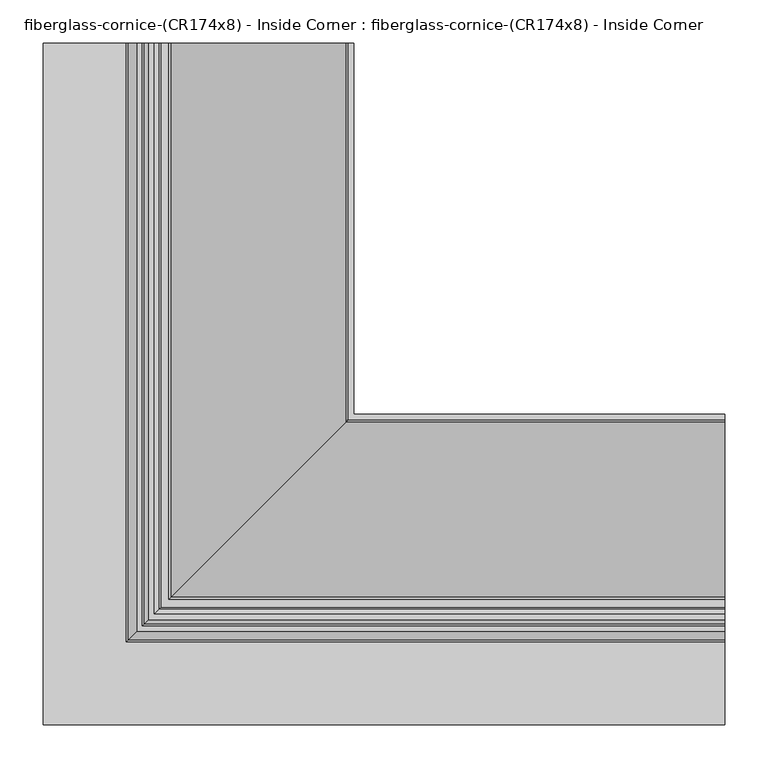
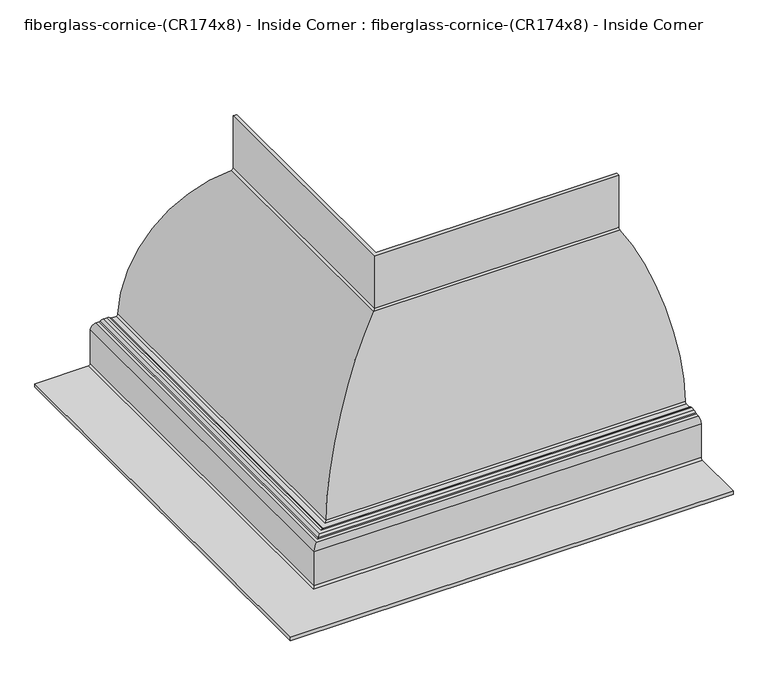
"""IFC4 building model written with IfcOpenShell, lengths in millimetres: furniture geometry, fiberglass-cornice-(CR174x8) - Inside Corner : fiberglass-cornice-(CR174x8) - Inside Corner."""

from ifc_helpers import new_model, si_unit, frame, origin, place, context, project, spatial, polyline, circle_curve, ellipse_curve, source, transform, mapped, element, save
from ifc_brep_helpers import plane_surface, cylinder_surface, revolved_surface, advanced_brep


def fiberglass_cornice_cr174x8_inside_corner_fiberglass_cornice_475cccb7(model_context):
    return source(origin(), model_context, "Body", "AdvancedBrep", [
        advanced_brep(
        [(-34.9249938, 888.603125, 330.1999904), (-34.9249938, 888.603125, 231.6795826), (-44.1638351, 888.603125, 222.1588821), (-239.7886497, 888.603125, 28.207072), (-249.3065414, 888.603125, 19.0499904), (-258.1636377, 888.603125, 19.0499904), (-263.7187305, 888.603125, 21.3178476), (-265.9407676, 888.603125, 22.2249904), (-272.2907676, 888.603125, 22.2249904), (-274.5128047, 888.603125, 21.3178476), (-280.0678975, 888.603125, 19.0499904), (-285.7499938, 888.603125, 19.0499904), (-288.9249938, 888.603125, 15.8749904), (-288.9249938, 888.603125, -47.6250096), (-298.4499938, 888.603125, -57.1500096), (-393.6999938, 888.603125, -57.1500096), (-393.6999938, 888.603125, -50.8000096), (-298.4499938, 888.603125, -50.8000096), (-295.2749938, 888.603125, -47.6250096), (-295.2749938, 888.603125, 15.8749904), (-285.7499938, 888.603125, 25.3999904), (-280.0678975, 888.603125, 25.3999904), (-277.8458604, 888.603125, 26.3071333), (-272.2907676, 888.603125, 28.5749904), (-265.9407676, 888.603125, 28.5749904), (-260.3856748, 888.603125, 26.3071333), (-258.1636377, 888.603125, 25.3999904), (-249.3065414, 888.603125, 25.3999904), (-246.1339108, 888.603125, 28.4523509), (-44.3546076, 888.603125, 228.5060158), (-41.2749938, 888.603125, 231.6795826), (-41.2749938, 888.603125, 330.1999904), (393.6999938, 459.978125, 330.1999904), (393.6999938, 453.628125, 330.1999904), (393.6999938, 453.628125, 231.6795826), (393.6999938, 450.5485113, 228.5060158), (393.6999938, 248.769208, 28.4523509), (393.6999938, 245.5965775, 25.3999904), (393.6999938, 236.7394812, 25.3999904), (393.6999938, 234.5174441, 26.3071333), (393.6999938, 228.9623512, 28.5749904), (393.6999938, 222.6123512, 28.5749904), (393.6999938, 217.0572584, 26.3071333), (393.6999938, 214.8352213, 25.3999904), (393.6999938, 209.153125, 25.3999904), (393.6999938, 199.628125, 15.8749904), (393.6999938, 199.628125, -47.6250096), (393.6999938, 196.453125, -50.8000096), (393.6999938, 101.203125, -50.8000096), (393.6999938, 101.203125, -57.1500096), (393.6999938, 196.453125, -57.1500096), (393.6999938, 205.978125, -47.6250096), (393.6999938, 205.978125, 15.8749904), (393.6999938, 209.153125, 19.0499904), (393.6999938, 214.8352213, 19.0499904), (393.6999938, 220.3903141, 21.3178476), (393.6999938, 222.6123512, 22.2249904), (393.6999938, 228.9623512, 22.2249904), (393.6999938, 231.1843884, 21.3178476), (393.6999938, 236.7394812, 19.0499904), (393.6999938, 245.5965775, 19.0499904), (393.6999938, 255.1144691, 28.207072), (393.6999938, 450.7392838, 222.1588821), (393.6999938, 459.978125, 231.6795826), (-34.9249938, 459.978125, 330.1999904), (-34.9249938, 459.978125, 231.6795826), (-44.1638351, 450.7392838, 222.1588821), (-239.7886497, 255.1144691, 28.207072), (-249.3065414, 245.5965775, 19.0499904), (-258.1636377, 236.7394812, 19.0499904), (-263.7187305, 231.1843884, 21.3178476), (-265.9407676, 228.9623512, 22.2249904), (-272.2907676, 222.6123512, 22.2249904), (-274.5128047, 220.3903141, 21.3178476), (-280.0678975, 214.8352213, 19.0499904), (-285.7499938, 209.153125, 19.0499904), (-288.9249938, 205.978125, 15.8749904), (-288.9249938, 205.978125, -47.6250096), (-298.4499938, 196.453125, -57.1500096), (-393.6999938, 101.203125, -57.1500096), (-393.6999938, 101.203125, -50.8000096), (-298.4499938, 196.453125, -50.8000096), (-295.2749938, 199.628125, -47.6250096), (-295.2749938, 199.628125, 15.8749904), (-285.7499938, 209.153125, 25.3999904), (-280.0678975, 214.8352213, 25.3999904), (-277.8458604, 217.0572584, 26.3071333), (-272.2907676, 222.6123512, 28.5749904), (-265.9407676, 228.9623512, 28.5749904), (-260.3856748, 234.5174441, 26.3071333), (-258.1636377, 236.7394812, 25.3999904), (-249.3065414, 245.5965775, 25.3999904), (-246.1339108, 248.769208, 28.4523509), (-44.3546076, 450.5485113, 228.5060158), (-41.2749938, 453.628125, 231.6795826), (-41.2749938, 453.628125, 330.1999904)],
        [
            (0, 1),
            (1, 2, circle_curve(frame((-44.4499938, 888.603125, 231.6795826), z_axis=(0.0, 1.0, 0.0), x_axis=(1.0, 0.0, 0.0)), 9.525)),
            (2, 3, circle_curve(frame((-38.0999938, 888.603125, 20.4107047), z_axis=(0.0, -1.0, 0.0), x_axis=(1.0, 0.0, 0.0)), 201.8392857)),
            (3, 4, circle_curve(frame((-249.3065414, 888.603125, 28.5749904), z_axis=(0.0, 1.0, 0.0), x_axis=(1.0, 0.0, 0.0)), 9.525)),
            (4, 5),
            (5, 6, circle_curve(frame((-258.1636377, 888.603125, 26.9874904), z_axis=(0.0, 1.0, 0.0), x_axis=(1.0, 0.0, 0.0)), 7.9375)),
            (6, 7, circle_curve(frame((-265.9407676, 888.603125, 19.0499904), z_axis=(0.0, -1.0, 0.0), x_axis=(1.0, 0.0, 0.0)), 3.175)),
            (7, 8),
            (8, 9, circle_curve(frame((-272.2907676, 888.603125, 19.0499904), z_axis=(0.0, -1.0, 0.0), x_axis=(1.0, 0.0, 0.0)), 3.175)),
            (9, 10, circle_curve(frame((-280.0678975, 888.603125, 26.9874904), z_axis=(0.0, 1.0, 0.0), x_axis=(1.0, 0.0, 0.0)), 7.9375)),
            (10, 11),
            (11, 12, circle_curve(frame((-285.7499938, 888.603125, 15.8749904), z_axis=(0.0, -1.0, 0.0), x_axis=(1.0, 0.0, 0.0)), 3.175)),
            (12, 13),
            (13, 14, circle_curve(frame((-298.4499938, 888.603125, -47.6250096), z_axis=(0.0, 1.0, 0.0), x_axis=(1.0, 0.0, 0.0)), 9.525)),
            (14, 15),
            (15, 16),
            (16, 17),
            (17, 18, circle_curve(frame((-298.4499938, 888.603125, -47.6250096), z_axis=(0.0, -1.0, 0.0), x_axis=(1.0, 0.0, 0.0)), 3.175)),
            (18, 19),
            (19, 20, circle_curve(frame((-285.7499938, 888.603125, 15.8749904), z_axis=(0.0, 1.0, 0.0), x_axis=(1.0, 0.0, 0.0)), 9.525)),
            (20, 21),
            (21, 22, circle_curve(frame((-280.0678975, 888.603125, 28.5749904), z_axis=(0.0, -1.0, 0.0), x_axis=(1.0, 0.0, 0.0)), 3.175)),
            (22, 23, circle_curve(frame((-272.2907676, 888.603125, 20.6374904), z_axis=(0.0, 1.0, 0.0), x_axis=(1.0, 0.0, 0.0)), 7.9375)),
            (23, 24),
            (24, 25, circle_curve(frame((-265.9407676, 888.603125, 20.6374904), z_axis=(0.0, 1.0, 0.0), x_axis=(1.0, 0.0, 0.0)), 7.9375)),
            (25, 26, circle_curve(frame((-258.1636377, 888.603125, 28.5749904), z_axis=(0.0, -1.0, 0.0), x_axis=(1.0, 0.0, 0.0)), 3.175)),
            (26, 27),
            (27, 28, circle_curve(frame((-249.3065414, 888.603125, 28.5749904), z_axis=(0.0, -1.0, 0.0), x_axis=(1.0, 0.0, 0.0)), 3.175)),
            (28, 29, circle_curve(frame((-38.0999938, 888.603125, 20.4107047), z_axis=(0.0, 1.0, 0.0), x_axis=(1.0, 0.0, 0.0)), 208.1892857)),
            (29, 30, circle_curve(frame((-44.4499938, 888.603125, 231.6795826), z_axis=(0.0, -1.0, 0.0), x_axis=(1.0, 0.0, 0.0)), 3.175)),
            (30, 31),
            (31, 0),
            (32, 33),
            (33, 34),
            (34, 35, circle_curve(frame((393.6999938, 450.453125, 231.6795826), z_axis=(-1.0, 0.0, 0.0), x_axis=(0.0, 1.0, 0.0)), 3.175)),
            (35, 36, circle_curve(frame((393.6999938, 456.803125, 20.4107047), z_axis=(1.0, 0.0, 0.0), x_axis=(0.0, 1.0, 0.0)), 208.1892857)),
            (36, 37, circle_curve(frame((393.6999938, 245.5965775, 28.5749904), z_axis=(-1.0, 0.0, 0.0), x_axis=(0.0, 1.0, 0.0)), 3.175)),
            (37, 38),
            (38, 39, circle_curve(frame((393.6999938, 236.7394812, 28.5749904), z_axis=(-1.0, 0.0, 0.0), x_axis=(0.0, 1.0, 0.0)), 3.175)),
            (39, 40, circle_curve(frame((393.6999938, 228.9623512, 20.6374904), z_axis=(1.0, 0.0, 0.0), x_axis=(0.0, 1.0, 0.0)), 7.9375)),
            (40, 41),
            (41, 42, circle_curve(frame((393.6999938, 222.6123512, 20.6374904), z_axis=(1.0, 0.0, 0.0), x_axis=(0.0, 1.0, 0.0)), 7.9375)),
            (42, 43, circle_curve(frame((393.6999938, 214.8352213, 28.5749904), z_axis=(-1.0, 0.0, 0.0), x_axis=(0.0, 1.0, 0.0)), 3.175)),
            (43, 44),
            (44, 45, circle_curve(frame((393.6999938, 209.153125, 15.8749904), z_axis=(1.0, 0.0, 0.0), x_axis=(0.0, 1.0, 0.0)), 9.525)),
            (45, 46),
            (46, 47, circle_curve(frame((393.6999938, 196.453125, -47.6250096), z_axis=(-1.0, 0.0, 0.0), x_axis=(0.0, 1.0, 0.0)), 3.175)),
            (47, 48),
            (48, 49),
            (49, 50),
            (50, 51, circle_curve(frame((393.6999938, 196.453125, -47.6250096), z_axis=(1.0, 0.0, 0.0), x_axis=(0.0, 1.0, 0.0)), 9.525)),
            (51, 52),
            (52, 53, circle_curve(frame((393.6999938, 209.153125, 15.8749904), z_axis=(-1.0, 0.0, 0.0), x_axis=(0.0, 1.0, 0.0)), 3.175)),
            (53, 54),
            (54, 55, circle_curve(frame((393.6999938, 214.8352213, 26.9874904), z_axis=(1.0, 0.0, 0.0), x_axis=(0.0, 1.0, 0.0)), 7.9375)),
            (55, 56, circle_curve(frame((393.6999938, 222.6123512, 19.0499904), z_axis=(-1.0, 0.0, 0.0), x_axis=(0.0, 1.0, 0.0)), 3.175)),
            (56, 57),
            (57, 58, circle_curve(frame((393.6999938, 228.9623512, 19.0499904), z_axis=(-1.0, 0.0, 0.0), x_axis=(0.0, 1.0, 0.0)), 3.175)),
            (58, 59, circle_curve(frame((393.6999938, 236.7394812, 26.9874904), z_axis=(1.0, 0.0, 0.0), x_axis=(0.0, 1.0, 0.0)), 7.9375)),
            (59, 60),
            (60, 61, circle_curve(frame((393.6999938, 245.5965775, 28.5749904), z_axis=(1.0, 0.0, 0.0), x_axis=(0.0, 1.0, 0.0)), 9.525)),
            (61, 62, circle_curve(frame((393.6999938, 456.803125, 20.4107047), z_axis=(-1.0, 0.0, 0.0), x_axis=(0.0, 1.0, 0.0)), 201.8392857)),
            (62, 63, circle_curve(frame((393.6999938, 450.453125, 231.6795826), z_axis=(1.0, 0.0, 0.0), x_axis=(0.0, 1.0, 0.0)), 9.525)),
            (63, 32),
            (0, 64),
            (64, 65),
            (65, 1),
            (65, 66, ellipse_curve(frame((-44.4499938, 450.453125, 231.6795826), z_axis=(-0.7071067811865475, 0.7071067811865475, 0.0), x_axis=(0.7071067811865474, 0.7071067811865476, 0.0)), 13.4703842, 9.525)),
            (66, 2),
            (66, 67, ellipse_curve(frame((-38.0999938, 456.803125, 20.4107047), z_axis=(0.7071067811865475, -0.7071067811865475, 0.0), x_axis=(-0.7071067811865474, -0.7071067811865476, 0.0)), 285.4438553, 201.8392857)),
            (67, 3),
            (67, 68, ellipse_curve(frame((-249.3065414, 245.5965775, 28.5749904), z_axis=(-0.7071067811865475, 0.7071067811865475, 0.0), x_axis=(0.7071067811865474, 0.7071067811865476, 0.0)), 13.4703842, 9.525)),
            (68, 4),
            (68, 60),
            (59, 69),
            (69, 5),
            (69, 70, ellipse_curve(frame((-258.1636377, 236.7394812, 26.9874904), z_axis=(-0.7071067811865475, 0.7071067811865475, 0.0), x_axis=(0.7071067811865474, 0.7071067811865476, 0.0)), 11.2253202, 7.9375)),
            (70, 6),
            (70, 71, ellipse_curve(frame((-265.9407676, 228.9623512, 19.0499904), z_axis=(0.7071067811865475, -0.7071067811865475, 0.0), x_axis=(-0.7071067811865474, -0.7071067811865476, 0.0)), 4.4901281, 3.175)),
            (71, 7),
            (71, 57),
            (56, 72),
            (72, 8),
            (72, 73, ellipse_curve(frame((-272.2907676, 222.6123512, 19.0499904), z_axis=(0.7071067811865475, -0.7071067811865475, 0.0), x_axis=(-0.7071067811865474, -0.7071067811865476, 0.0)), 4.4901281, 3.175)),
            (73, 9),
            (73, 74, ellipse_curve(frame((-280.0678975, 214.8352213, 26.9874904), z_axis=(-0.7071067811865475, 0.7071067811865475, 0.0), x_axis=(0.7071067811865474, 0.7071067811865476, 0.0)), 11.2253202, 7.9375)),
            (74, 10),
            (74, 54),
            (53, 75),
            (75, 11),
            (75, 76, ellipse_curve(frame((-285.7499938, 209.153125, 15.8749904), z_axis=(0.7071067811865475, -0.7071067811865475, 0.0), x_axis=(-0.7071067811865474, -0.7071067811865476, 0.0)), 4.4901281, 3.175)),
            (76, 12),
            (76, 77),
            (77, 13),
            (77, 78, ellipse_curve(frame((-298.4499938, 196.453125, -47.6250096), z_axis=(-0.7071067811865475, 0.7071067811865475, 0.0), x_axis=(0.7071067811865474, 0.7071067811865476, 0.0)), 13.4703842, 9.525)),
            (78, 14),
            (78, 50),
            (49, 79),
            (79, 15),
            (79, 80),
            (80, 16),
            (80, 48),
            (47, 81),
            (81, 17),
            (81, 82, ellipse_curve(frame((-298.4499938, 196.453125, -47.6250096), z_axis=(0.7071067811865475, -0.7071067811865475, 0.0), x_axis=(-0.7071067811865474, -0.7071067811865476, 0.0)), 4.4901281, 3.175)),
            (82, 18),
            (82, 83),
            (83, 19),
            (83, 84, ellipse_curve(frame((-285.7499938, 209.153125, 15.8749904), z_axis=(-0.7071067811865475, 0.7071067811865475, 0.0), x_axis=(0.7071067811865474, 0.7071067811865476, 0.0)), 13.4703842, 9.525)),
            (84, 20),
            (84, 44),
            (43, 85),
            (85, 21),
            (85, 86, ellipse_curve(frame((-280.0678975, 214.8352213, 28.5749904), z_axis=(0.7071067811865475, -0.7071067811865475, 0.0), x_axis=(-0.7071067811865474, -0.7071067811865476, 0.0)), 4.4901281, 3.175)),
            (86, 22),
            (86, 87, ellipse_curve(frame((-272.2907676, 222.6123512, 20.6374904), z_axis=(-0.7071067811865475, 0.7071067811865475, 0.0), x_axis=(0.7071067811865474, 0.7071067811865476, 0.0)), 11.2253202, 7.9375)),
            (87, 23),
            (87, 41),
            (40, 88),
            (88, 24),
            (88, 89, ellipse_curve(frame((-265.9407676, 228.9623512, 20.6374904), z_axis=(-0.7071067811865475, 0.7071067811865475, 0.0), x_axis=(0.7071067811865474, 0.7071067811865476, 0.0)), 11.2253202, 7.9375)),
            (89, 25),
            (89, 90, ellipse_curve(frame((-258.1636377, 236.7394812, 28.5749904), z_axis=(0.7071067811865475, -0.7071067811865475, 0.0), x_axis=(-0.7071067811865474, -0.7071067811865476, 0.0)), 4.4901281, 3.175)),
            (90, 26),
            (90, 38),
            (37, 91),
            (91, 27),
            (91, 92, ellipse_curve(frame((-249.3065414, 245.5965775, 28.5749904), z_axis=(0.7071067811865475, -0.7071067811865475, 0.0), x_axis=(-0.7071067811865474, -0.7071067811865476, 0.0)), 4.4901281, 3.175)),
            (92, 28),
            (92, 93, ellipse_curve(frame((-38.0999938, 456.803125, 20.4107047), z_axis=(-0.7071067811865475, 0.7071067811865475, 0.0), x_axis=(0.7071067811865474, 0.7071067811865476, 0.0)), 294.4241114, 208.1892857)),
            (93, 29),
            (93, 94, ellipse_curve(frame((-44.4499938, 450.453125, 231.6795826), z_axis=(0.7071067811865475, -0.7071067811865475, 0.0), x_axis=(-0.7071067811865474, -0.7071067811865476, 0.0)), 4.4901281, 3.175)),
            (94, 30),
            (94, 95),
            (95, 31),
            (95, 33),
            (32, 64),
            (63, 65),
            (62, 66),
            (61, 67),
            (58, 70),
            (55, 73),
            (52, 76),
            (51, 77),
            (46, 82),
            (45, 83),
            (42, 86),
            (39, 89),
            (36, 92),
            (35, 93),
            (34, 94),
        ],
        [
            plane_surface(frame((-393.6999938, 888.603125, 330.1999904), z_axis=(0.0, 1.0, 0.0), x_axis=(0.0, 0.0, 1.0))),
            plane_surface(frame((393.6999938, 101.203125, 330.1999904), z_axis=(1.0, 0.0, 0.0), x_axis=(0.0, 0.0, 1.0))),
            plane_surface(frame((-34.9249938, 888.603125, 330.1999904), z_axis=(1.0, 0.0, 0.0), x_axis=(0.0, -1.0, 0.0))),
            cylinder_surface(frame((-44.4499938, 888.603125, 231.6795826), z_axis=(0.0, 1.0, 0.0), x_axis=(1.0, 0.0, 0.0)), 9.525),
            revolved_surface(polyline([(163.7392919, 254.96383926933834, 20.4107047), (163.7392919, 888.603125, 20.4107047)]), (-38.0999938, 888.603125, 20.4107047), (0.0, -1.0, 0.0)),
            cylinder_surface(frame((-249.3065414, 888.603125, 28.5749904), z_axis=(0.0, 1.0, 0.0), x_axis=(1.0, 0.0, 0.0)), 9.525),
            plane_surface(frame((-249.3065414, 888.603125, 19.0499904), z_axis=(0.0, 0.0, -1.0), x_axis=(0.0, -1.0, 0.0))),
            cylinder_surface(frame((-258.1636377, 888.603125, 26.9874904), z_axis=(0.0, 1.0, 0.0), x_axis=(1.0, 0.0, 0.0)), 7.9375),
            revolved_surface(polyline([(-262.7657676, 225.78735117209362, 19.0499904), (-262.7657676, 888.603125, 19.0499904)]), (-265.9407676, 888.603125, 19.0499904), (0.0, -1.0, 0.0)),
            plane_surface(frame((-265.9407676, 888.603125, 22.2249904), z_axis=(0.0, 0.0, -1.0), x_axis=(0.0, -1.0, 0.0))),
            revolved_surface(polyline([(-269.11576759999997, 219.4373511720937, 19.0499904), (-269.11576759999997, 888.603125, 19.0499904)]), (-272.2907676, 888.603125, 19.0499904), (0.0, -1.0, 0.0)),
            cylinder_surface(frame((-280.0678975, 888.603125, 26.9874904), z_axis=(0.0, 1.0, 0.0), x_axis=(1.0, 0.0, 0.0)), 7.9375),
            plane_surface(frame((-280.0678975, 888.603125, 19.0499904), z_axis=(0.0, 0.0, -1.0), x_axis=(0.0, -1.0, 0.0))),
            revolved_surface(polyline([(-282.5749938, 205.9781249720936, 15.8749904), (-282.5749938, 888.603125, 15.8749904)]), (-285.7499938, 888.603125, 15.8749904), (0.0, -1.0, 0.0)),
            plane_surface(frame((-288.9249938, 888.603125, 15.8749904), z_axis=(1.0, 0.0, 0.0), x_axis=(0.0, -1.0, 0.0))),
            cylinder_surface(frame((-298.4499938, 888.603125, -47.6250096), z_axis=(0.0, 1.0, 0.0), x_axis=(1.0, 0.0, 0.0)), 9.525),
            plane_surface(frame((-298.4499938, 888.603125, -57.1500096), z_axis=(0.0, 0.0, -1.0), x_axis=(0.0, -1.0, 0.0))),
            plane_surface(frame((-393.6999938, 888.603125, -57.1500096), z_axis=(-1.0, 0.0, 0.0), x_axis=(0.0, -1.0, 0.0))),
            plane_surface(frame((-393.6999938, 888.603125, -50.8000096), z_axis=(0.0, 0.0, 1.0), x_axis=(0.0, -1.0, 0.0))),
            revolved_surface(polyline([(-295.2749938, 193.27812497209368, -47.6250096), (-295.2749938, 888.603125, -47.6250096)]), (-298.4499938, 888.603125, -47.6250096), (0.0, -1.0, 0.0)),
            plane_surface(frame((-295.2749938, 888.603125, -47.6250096), z_axis=(-1.0, 0.0, 0.0), x_axis=(0.0, -1.0, 0.0))),
            cylinder_surface(frame((-285.7499938, 888.603125, 15.8749904), z_axis=(0.0, 1.0, 0.0), x_axis=(1.0, 0.0, 0.0)), 9.525),
            plane_surface(frame((-285.7499938, 888.603125, 25.3999904), z_axis=(0.0, 0.0, 1.0), x_axis=(0.0, -1.0, 0.0))),
            revolved_surface(polyline([(-276.8928975, 211.66022127209362, 28.5749904), (-276.8928975, 888.603125, 28.5749904)]), (-280.0678975, 888.603125, 28.5749904), (0.0, -1.0, 0.0)),
            cylinder_surface(frame((-272.2907676, 888.603125, 20.6374904), z_axis=(0.0, 1.0, 0.0), x_axis=(1.0, 0.0, 0.0)), 7.9375),
            plane_surface(frame((-272.2907676, 888.603125, 28.5749904), z_axis=(0.0, 0.0, 1.0), x_axis=(0.0, -1.0, 0.0))),
            cylinder_surface(frame((-265.9407676, 888.603125, 20.6374904), z_axis=(0.0, 1.0, 0.0), x_axis=(1.0, 0.0, 0.0)), 7.9375),
            revolved_surface(polyline([(-254.98863769999997, 233.56448117209368, 28.5749904), (-254.98863769999997, 888.603125, 28.5749904)]), (-258.1636377, 888.603125, 28.5749904), (0.0, -1.0, 0.0)),
            plane_surface(frame((-258.1636377, 888.603125, 25.3999904), z_axis=(0.0, 0.0, 1.0), x_axis=(0.0, -1.0, 0.0))),
            revolved_surface(polyline([(-246.13154139999997, 242.42157747209365, 28.5749904), (-246.13154139999997, 888.603125, 28.5749904)]), (-249.3065414, 888.603125, 28.5749904), (0.0, -1.0, 0.0)),
            cylinder_surface(frame((-38.0999938, 888.603125, 20.4107047), z_axis=(0.0, 1.0, 0.0), x_axis=(1.0, 0.0, 0.0)), 208.1892857),
            revolved_surface(polyline([(-41.274993800000004, 447.27812497209374, 231.6795826), (-41.274993800000004, 888.603125, 231.6795826)]), (-44.4499938, 888.603125, 231.6795826), (0.0, -1.0, 0.0)),
            plane_surface(frame((-41.2749938, 888.603125, 231.6795826), z_axis=(-1.0, 0.0, 0.0), x_axis=(0.0, -1.0, 0.0))),
            plane_surface(frame((-41.2749938, 888.603125, 330.1999904), z_axis=(0.0, 0.0, 1.0), x_axis=(0.0, -1.0, 0.0))),
            plane_surface(frame((-34.9249938, 459.978125, 330.1999904), z_axis=(0.0, 1.0, 0.0), x_axis=(1.0, 0.0, 0.0))),
            cylinder_surface(frame((-393.6999938, 450.453125, 231.6795826), z_axis=(-1.0, 0.0, 0.0), x_axis=(0.0, 1.0, 0.0)), 9.525),
            revolved_surface(polyline([(393.6999938, 658.6424107, 20.4107047), (-239.93927953066157, 658.6424107, 20.4107047)]), (-393.6999938, 456.803125, 20.4107047), (1.0, 0.0, 0.0)),
            cylinder_surface(frame((-393.6999938, 245.5965775, 28.5749904), z_axis=(-1.0, 0.0, 0.0), x_axis=(0.0, 1.0, 0.0)), 9.525),
            cylinder_surface(frame((-393.6999938, 236.7394812, 26.9874904), z_axis=(-1.0, 0.0, 0.0), x_axis=(0.0, 1.0, 0.0)), 7.9375),
            revolved_surface(polyline([(393.6999938, 232.1373512, 19.0499904), (-269.1157676279063, 232.1373512, 19.0499904)]), (-393.6999938, 228.9623512, 19.0499904), (1.0, 0.0, 0.0)),
            revolved_surface(polyline([(393.6999938, 225.78735120000002, 19.0499904), (-275.46576762790625, 225.78735120000002, 19.0499904)]), (-393.6999938, 222.6123512, 19.0499904), (1.0, 0.0, 0.0)),
            cylinder_surface(frame((-393.6999938, 214.8352213, 26.9874904), z_axis=(-1.0, 0.0, 0.0), x_axis=(0.0, 1.0, 0.0)), 7.9375),
            revolved_surface(polyline([(393.6999938, 212.328125, 15.8749904), (-288.9249938279063, 212.328125, 15.8749904)]), (-393.6999938, 209.153125, 15.8749904), (1.0, 0.0, 0.0)),
            plane_surface(frame((-288.9249938, 205.978125, 15.8749904), z_axis=(0.0, 1.0, 0.0), x_axis=(1.0, 0.0, 0.0))),
            cylinder_surface(frame((-393.6999938, 196.453125, -47.6250096), z_axis=(-1.0, 0.0, 0.0), x_axis=(0.0, 1.0, 0.0)), 9.525),
            plane_surface(frame((-393.6999938, 101.203125, -57.1500096), z_axis=(0.0, -1.0, 0.0), x_axis=(1.0, 0.0, 0.0))),
            revolved_surface(polyline([(393.6999938, 199.628125, -47.6250096), (-301.6249938279063, 199.628125, -47.6250096)]), (-393.6999938, 196.453125, -47.6250096), (1.0, 0.0, 0.0)),
            plane_surface(frame((-295.2749938, 199.628125, -47.6250096), z_axis=(0.0, -1.0, 0.0), x_axis=(1.0, 0.0, 0.0))),
            cylinder_surface(frame((-393.6999938, 209.153125, 15.8749904), z_axis=(-1.0, 0.0, 0.0), x_axis=(0.0, 1.0, 0.0)), 9.525),
            revolved_surface(polyline([(393.6999938, 218.0102213, 28.5749904), (-283.2428975279063, 218.0102213, 28.5749904)]), (-393.6999938, 214.8352213, 28.5749904), (1.0, 0.0, 0.0)),
            cylinder_surface(frame((-393.6999938, 222.6123512, 20.6374904), z_axis=(-1.0, 0.0, 0.0), x_axis=(0.0, 1.0, 0.0)), 7.9375),
            cylinder_surface(frame((-393.6999938, 228.9623512, 20.6374904), z_axis=(-1.0, 0.0, 0.0), x_axis=(0.0, 1.0, 0.0)), 7.9375),
            revolved_surface(polyline([(393.6999938, 239.9144812, 28.5749904), (-261.33863772790625, 239.9144812, 28.5749904)]), (-393.6999938, 236.7394812, 28.5749904), (1.0, 0.0, 0.0)),
            revolved_surface(polyline([(393.6999938, 248.7715775, 28.5749904), (-252.48154142790625, 248.7715775, 28.5749904)]), (-393.6999938, 245.5965775, 28.5749904), (1.0, 0.0, 0.0)),
            cylinder_surface(frame((-393.6999938, 456.803125, 20.4107047), z_axis=(-1.0, 0.0, 0.0), x_axis=(0.0, 1.0, 0.0)), 208.1892857),
            revolved_surface(polyline([(393.6999938, 453.628125, 231.6795826), (-47.62499382790628, 453.628125, 231.6795826)]), (-393.6999938, 450.453125, 231.6795826), (1.0, 0.0, 0.0)),
            plane_surface(frame((-41.2749938, 453.628125, 231.6795826), z_axis=(0.0, -1.0, 0.0), x_axis=(1.0, 0.0, 0.0))),
        ],
        [
            (0, [[1, 2, 3, 4, 5, 6, 7, 8, 9, 10, 11, 12, 13, 14, 15, 16, 17, 18, 19, 20, 21, 22, 23, 24, 25, 26, 27, 28, 29, 30, 31, 32]]),
            (1, [[33, 34, 35, 36, 37, 38, 39, 40, 41, 42, 43, 44, 45, 46, 47, 48, 49, 50, 51, 52, 53, 54, 55, 56, 57, 58, 59, 60, 61, 62, 63, 64]]),
            (2, [[-1, 65, 66, 67]]),
            (3, [[-2, -67, 68, 69]]),
            (4, [[-3, -69, 70, 71]]),
            (5, [[-4, -71, 72, 73]]),
            (6, [[-5, -73, 74, -60, 75, 76]]),
            (7, [[-6, -76, 77, 78]]),
            (8, [[-7, -78, 79, 80]]),
            (9, [[-8, -80, 81, -57, 82, 83]]),
            (10, [[-9, -83, 84, 85]]),
            (11, [[-10, -85, 86, 87]]),
            (12, [[-11, -87, 88, -54, 89, 90]]),
            (13, [[-12, -90, 91, 92]]),
            (14, [[-13, -92, 93, 94]]),
            (15, [[-14, -94, 95, 96]]),
            (16, [[-15, -96, 97, -50, 98, 99]]),
            (17, [[-16, -99, 100, 101]]),
            (18, [[-17, -101, 102, -48, 103, 104]]),
            (19, [[-18, -104, 105, 106]]),
            (20, [[-19, -106, 107, 108]]),
            (21, [[-20, -108, 109, 110]]),
            (22, [[-21, -110, 111, -44, 112, 113]]),
            (23, [[-22, -113, 114, 115]]),
            (24, [[-23, -115, 116, 117]]),
            (25, [[-24, -117, 118, -41, 119, 120]]),
            (26, [[-25, -120, 121, 122]]),
            (27, [[-26, -122, 123, 124]]),
            (28, [[-27, -124, 125, -38, 126, 127]]),
            (29, [[-28, -127, 128, 129]]),
            (30, [[-29, -129, 130, 131]]),
            (31, [[-30, -131, 132, 133]]),
            (32, [[-31, -133, 134, 135]]),
            (33, [[-32, -135, 136, -33, 137, -65]]),
            (34, [[-66, -137, -64, 138]]),
            (35, [[-68, -138, -63, 139]]),
            (36, [[-70, -139, -62, 140]]),
            (37, [[-72, -140, -61, -74]]),
            (38, [[-77, -75, -59, 141]]),
            (39, [[-79, -141, -58, -81]]),
            (40, [[-84, -82, -56, 142]]),
            (41, [[-86, -142, -55, -88]]),
            (42, [[-91, -89, -53, 143]]),
            (43, [[-93, -143, -52, 144]]),
            (44, [[-95, -144, -51, -97]]),
            (45, [[-100, -98, -49, -102]]),
            (46, [[-105, -103, -47, 145]]),
            (47, [[-107, -145, -46, 146]]),
            (48, [[-109, -146, -45, -111]]),
            (49, [[-114, -112, -43, 147]]),
            (50, [[-116, -147, -42, -118]]),
            (51, [[-121, -119, -40, 148]]),
            (52, [[-123, -148, -39, -125]]),
            (53, [[-128, -126, -37, 149]]),
            (54, [[-130, -149, -36, 150]]),
            (55, [[-132, -150, -35, 151]]),
            (56, [[-134, -151, -34, -136]]),
        ],
    ),
    ])


if __name__ == "__main__":
    model = new_model("IFC4")
    model_context = context("Model", 3, world=origin())
    ifc_project = project(units=[si_unit("LENGTHUNIT", "METRE", prefix="MILLI")], contexts=[model_context])
    site = spatial("IfcSite", under=ifc_project)
    building = spatial("IfcBuilding", under=site)
    placement = place(None, origin())
    fiberglass_cornice_cr174x8_inside_corner_fiberglass_cornice_shape = fiberglass_cornice_cr174x8_inside_corner_fiberglass_cornice_475cccb7(model_context)
    element("IfcFurniture", 1, ObjectType="fiberglass-cornice-(CR174x8) - Inside Corner : fiberglass-cornice-(CR174x8) - Inside Corner", at=placement, inside=building, context=model_context, shape_type="MappedRepresentation", body=[
        mapped(fiberglass_cornice_cr174x8_inside_corner_fiberglass_cornice_shape, transform((0.0, 0.0, 0.0), x_axis=(1.0, 0.0, 0.0), y_axis=(0.0, 1.0, 0.0), z_axis=(0.0, 0.0, 1.0))),
    ])
    save(model, "model.ifc")
